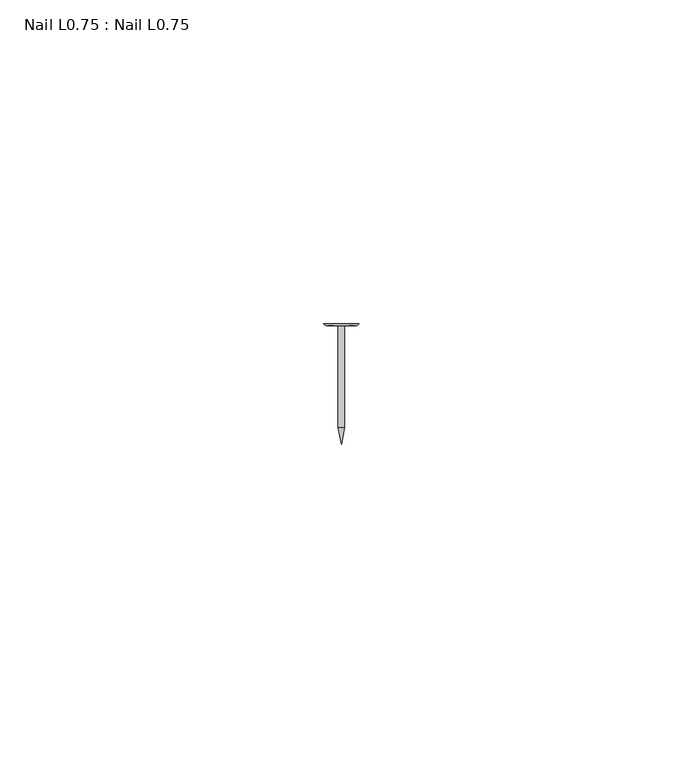
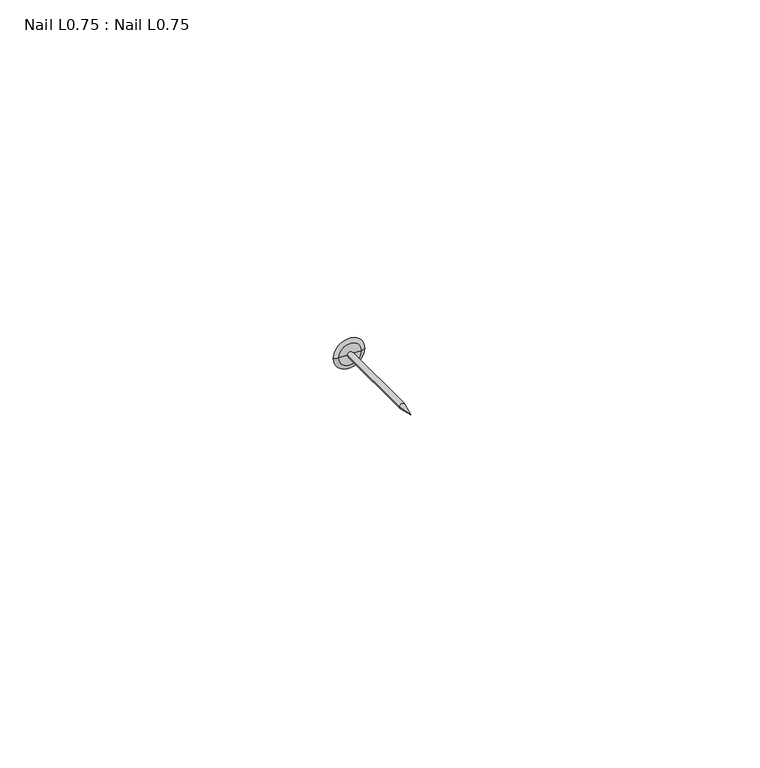
"""IFC4 building model written with IfcOpenShell, lengths in millimetres: proxy geometry, Nail L0.75 : Nail L0.75."""

from ifc_helpers import new_model, si_unit, point, frame, origin, place, context, project, spatial, polyline, circle_curve, ellipse_curve, trimmed, source, transform, mapped, element, save
from ifc_brep_helpers import plane_surface, cylinder_surface, revolved_surface, advanced_brep


def nail_l0_75_nail_l0_75_4e796002(model_context):
    return source(origin(), model_context, "Body", "AdvancedBrep", [
        advanced_brep(
        [(2.7285156, 18.5539062, 0.0), (-2.7285156, 18.5539062, 0.0), (0.0, 18.5539062, 0.0), (0.4993142, 18.2525009, 0.0), (-0.4993142, 18.2525009, 0.0), (-1.943328, 18.2525009, 0.0), (1.943328, 18.2525009, 0.0), (0.4993142, 2.637769, 0.0), (-0.4993142, 2.637769, 0.0), (0.0, 0.0, 0.0)],
        [
            (0, 1, circle_curve(frame((0.0, 18.5539062, 0.0), z_axis=(0.0, 1.0, 0.0), x_axis=(-1.0, 0.0, 0.0)), 2.7285156)),
            (1, 2),
            (2, 0),
            (1, 0, circle_curve(frame((0.0, 18.5539062, 0.0), z_axis=(0.0, 1.0, 0.0), x_axis=(-1.0, 0.0, 0.0)), 2.7285156)),
            (3, 4, circle_curve(frame((0.0, 18.2525009, 0.0), z_axis=(0.0, 1.0, 0.0), x_axis=(-1.0, 0.0, 0.0)), 0.4993142)),
            (4, 5),
            (5, 6, circle_curve(frame((0.0, 18.2525009, 0.0), z_axis=(0.0, -1.0, 0.0), x_axis=(-1.0, 0.0, 0.0)), 1.943328)),
            (6, 3),
            (4, 3, circle_curve(frame((0.0, 18.2525009, 0.0), z_axis=(0.0, 1.0, 0.0), x_axis=(-1.0, 0.0, 0.0)), 0.4993142)),
            (6, 5, circle_curve(frame((0.0, 18.2525009, 0.0), z_axis=(0.0, -1.0, 0.0), x_axis=(-1.0, 0.0, 0.0)), 1.943328)),
            (7, 8, circle_curve(frame((0.0, 2.637769, 0.0), z_axis=(0.0, 1.0, 0.0), x_axis=(-1.0, 0.0, 0.0)), 0.4993142)),
            (8, 4),
            (3, 7),
            (8, 7, circle_curve(frame((0.0, 2.637769, 0.0), z_axis=(0.0, 1.0, 0.0), x_axis=(-1.0, 0.0, 0.0)), 0.4993142)),
            (9, 8),
            (7, 9),
            (5, 1, circle_curve(frame((-2.0366501, 19.1828331, 0.0), z_axis=(0.0, 0.0, -1.0), x_axis=(1.0, 0.0, 0.0)), 0.935001)),
            (0, 6, circle_curve(frame((2.0366501, 19.1828331, 0.0), z_axis=(0.0, 0.0, -1.0), x_axis=(-1.0, 0.0, 0.0)), 0.935001)),
        ],
        [
            plane_surface(frame((0.0, 18.5539062, 0.0), z_axis=(0.0, 1.0, 0.0), x_axis=(-1.0, 0.0, 0.0))),
            plane_surface(frame((0.0, 18.2525009, 0.0), z_axis=(0.0, -1.0, 0.0), x_axis=(-1.0, 0.0, 0.0))),
            cylinder_surface(frame((0.0, 23.1051057, 0.0), z_axis=(0.0, -1.0, 0.0), x_axis=(-1.0, 0.0, 0.0)), 0.4993142),
            revolved_surface(polyline([(-0.4993142, 2.637769, 0.0), (0.0, 0.0, 0.0)]), (0.0, 23.1051057, 0.0), (0.0, -1.0, 0.0)),
            revolved_surface(trimmed(ellipse_curve(frame((-2.0366501, 19.1828331, 0.0), z_axis=(0.0, 0.0, 1.0), x_axis=(1.0, 0.0, 0.0)), 0.935001, 0.935001), [point((-2.7285156, 18.5539062, 0.0))], [point((-1.943328, 18.2525009, 0.0))], True, "CARTESIAN"), (0.0, 23.1051057, 0.0), (0.0, -1.0, 0.0)),
        ],
        [
            (0, [[1, 2, 3]]),
            (0, [[4, -3, -2]]),
            (1, [[5, 6, 7, 8]]),
            (1, [[9, -8, 10, -6]]),
            (2, [[11, 12, -5, 13]]),
            (2, [[14, -13, -9, -12]]),
            (3, [[15, -11, 16]]),
            (3, [[-16, -14, -15]]),
            (4, [[-7, 17, -1, 18]]),
            (4, [[-10, -18, -4, -17]]),
        ],
    ),
    ])


if __name__ == "__main__":
    model = new_model("IFC4")
    model_context = context("Model", 3, world=origin())
    ifc_project = project(units=[si_unit("LENGTHUNIT", "METRE", prefix="MILLI")], contexts=[model_context])
    site = spatial("IfcSite", under=ifc_project)
    building = spatial("IfcBuilding", under=site)
    placement = place(None, origin())
    nail_l0_75_nail_l0_75_shape = nail_l0_75_nail_l0_75_4e796002(model_context)
    element("IfcBuildingElementProxy", 1, Name="Nail L0.75 : Nail L0.75", ObjectType="Nail L0.75 : Nail L0.75", at=placement, inside=building, context=model_context, shape_type="MappedRepresentation", body=[
        mapped(nail_l0_75_nail_l0_75_shape, transform((0.0, 0.0, 0.0), x_axis=(1.0, 0.0, 0.0), y_axis=(0.0, 1.0, 0.0), z_axis=(0.0, 0.0, 1.0))),
    ])
    save(model, "model.ifc")
